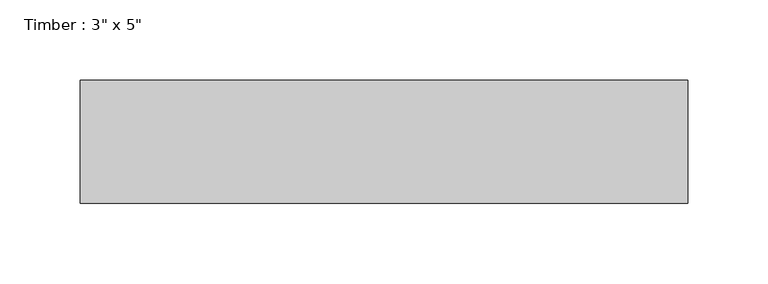
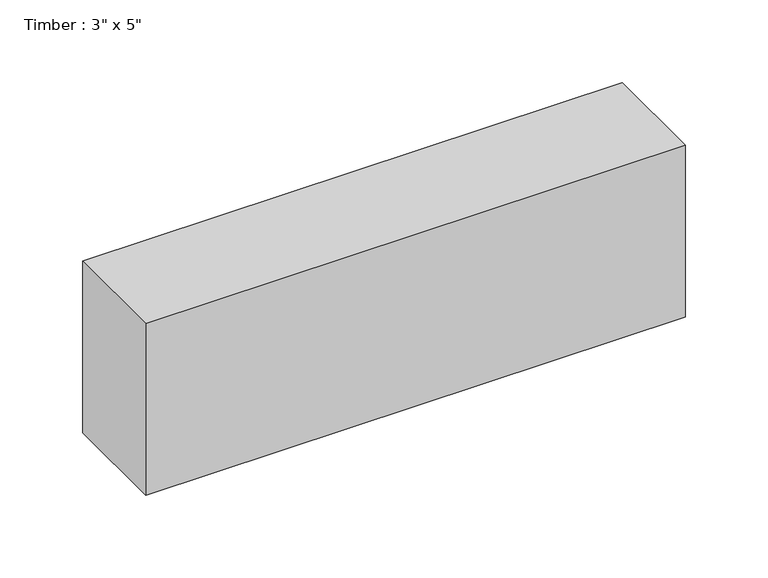
"""IFC4 building model written with IfcOpenShell, lengths in millimetres: beam geometry."""

import ifcopenshell
import ifcopenshell.guid

model = None  # the IFC model being written
_history = None  # IfcOwnerHistory: only IFC2X3 demands one
_inside = {}  # id of a spatial element -> (the spatial element, [elements in it])
_under = {}  # id of a project, library or spatial element -> (it, [spatial elements below it])
_declared = {}  # id of a project -> (the project, [libraries it declares])
_typed = {}  # id of a type object -> (the type object, [elements of that type])
_made_of = {}  # id of a material, layer set ... -> (it, [elements and type objects made of it])


def new_model(schema):
    """Start an empty IFC model of exactly this schema.

    Asked for "IFC4X3", IfcOpenShell would pick the latest addendum, in which some entities
    have other attributes; the version numbers below select the first issue.
    IFC2X3 requires an IfcOwnerHistory on every rooted entity: one is made here for all.
    """
    global model, _history
    if schema == "IFC4X3":
        model = ifcopenshell.file(schema_version=(4, 3, 0, 0))
    else:
        model = ifcopenshell.file(schema=schema)
    _inside.clear()
    _under.clear()
    _declared.clear()
    _typed.clear()
    _made_of.clear()
    _history = None
    if model.schema == "IFC2X3":
        org = make("IfcOrganization", Name="unknown")
        user = make(
            "IfcPersonAndOrganization",
            ThePerson=make("IfcPerson", FamilyName="unknown"),
            TheOrganization=org,
        )
        app = make(
            "IfcApplication",
            ApplicationDeveloper=org,
            Version="unknown",
            ApplicationFullName="unknown",
            ApplicationIdentifier="unknown",
        )
        _history = make(
            "IfcOwnerHistory",
            OwningUser=user,
            OwningApplication=app,
            ChangeAction="ADDED",
            CreationDate=0,
        )
    return model


def make(cls, **values):
    """One entity of the class cls with the attributes given. An attribute that is None is left unset."""
    return model.create_entity(
        cls, **{name: value for name, value in values.items() if value is not None}
    )


def rooted(cls, **values):
    """An entity with a GlobalId (a new one), such as an element, a storey or a relation."""
    return make(cls, GlobalId=ifcopenshell.guid.new(), OwnerHistory=_history, **values)


def si_unit(unit_type, name, prefix=None):
    """IfcSIUnit, for example si_unit("LENGTHUNIT", "METRE", prefix="MILLI")."""
    return make("IfcSIUnit", UnitType=unit_type, Prefix=prefix, Name=name)


def assignment(units):
    """IfcUnitAssignment: the units of a project."""
    return None if units is None else make("IfcUnitAssignment", Units=units)


def point(xyz):
    """IfcCartesianPoint."""
    return None if xyz is None else make("IfcCartesianPoint", Coordinates=xyz)


def direction(xyz):
    """IfcDirection."""
    return None if xyz is None else make("IfcDirection", DirectionRatios=xyz)


def frame(location, z_axis=None, x_axis=None):
    """IfcAxis2Placement3D, a coordinate frame: its origin and axes. An axis left out is left unset."""
    return make(
        "IfcAxis2Placement3D",
        Location=point(location),
        Axis=direction(z_axis),
        RefDirection=direction(x_axis),
    )


def origin():
    """The frame at (0, 0, 0) with its axes left unset."""
    return frame((0.0, 0.0, 0.0))


def place(relative_to, where):
    """IfcLocalPlacement: puts the frame where relative to a parent placement (None: the world)."""
    return make(
        "IfcLocalPlacement", PlacementRelTo=relative_to, RelativePlacement=where
    )


def context(
    kind, dimensions, precision=None, world=None, true_north=None, identifier=None
):
    """IfcGeometricRepresentationContext, for example the 3D "Model" context."""
    return make(
        "IfcGeometricRepresentationContext",
        ContextIdentifier=identifier,
        ContextType=kind,
        CoordinateSpaceDimension=dimensions,
        Precision=precision,
        WorldCoordinateSystem=world,
        TrueNorth=true_north,
    )


def project(units=None, contexts=None):
    """IfcProject with its units and contexts."""
    return rooted(
        "IfcProject",
        Name="project",
        RepresentationContexts=contexts,
        UnitsInContext=assignment(units),
    )


def spatial(cls, under=None, at=None, **own):
    """A site, building, storey or space (cls), placed at a placement, below another one or the project."""
    s = rooted(cls, ObjectPlacement=at, **own)
    if under is not None:
        _under.setdefault(under.id(), (under, []))[1].append(s)
    return s


def polyline(points):
    """IfcPolyline through the points."""
    return make("IfcPolyline", Points=[point(p) for p in points])


def outline(outer, holes=None, kind="AREA"):
    """IfcArbitraryClosedProfileDef: a profile drawn as a closed curve; with holes, ...WithVoids."""
    if holes is None:
        return make("IfcArbitraryClosedProfileDef", ProfileType=kind, OuterCurve=outer)
    return make(
        "IfcArbitraryProfileDefWithVoids",
        ProfileType=kind,
        OuterCurve=outer,
        InnerCurves=holes,
    )


def extrude(swept, where, along, depth):
    """IfcExtrudedAreaSolid: the profile swept, set in the frame where, extruded along a direction by depth."""
    return make(
        "IfcExtrudedAreaSolid",
        SweptArea=swept,
        Position=where,
        ExtrudedDirection=direction(along),
        Depth=depth,
    )


def shape(context_of_items, identifier, shape_type, items):
    """IfcShapeRepresentation: the items that make up one representation, for example the "Body"."""
    return make(
        "IfcShapeRepresentation",
        ContextOfItems=context_of_items,
        RepresentationIdentifier=identifier,
        RepresentationType=shape_type,
        Items=items,
    )


def source(mapping_origin, context_of_items, identifier, shape_type, items):
    """IfcRepresentationMap: a shape defined once, which mapped items show again and again."""
    return make(
        "IfcRepresentationMap",
        MappingOrigin=mapping_origin,
        MappedRepresentation=shape(context_of_items, identifier, shape_type, items),
    )


def transform(
    local_origin,
    x_axis=None,
    y_axis=None,
    z_axis=None,
    scale=None,
    scale2=None,
    scale3=None,
    uniform=True,
):
    """IfcCartesianTransformationOperator3D, or its non-uniform kind. x_axis, y_axis, z_axis: its Axis1, 2, 3."""
    if uniform:
        return make(
            "IfcCartesianTransformationOperator3D",
            Axis1=direction(x_axis),
            Axis2=direction(y_axis),
            LocalOrigin=point(local_origin),
            Scale=scale,
            Axis3=direction(z_axis),
        )
    return make(
        "IfcCartesianTransformationOperator3DnonUniform",
        Axis1=direction(x_axis),
        Axis2=direction(y_axis),
        LocalOrigin=point(local_origin),
        Scale=scale,
        Axis3=direction(z_axis),
        Scale2=scale2,
        Scale3=scale3,
    )


def mapped(mapping_source, mapping_target):
    """IfcMappedItem: shows the shape of a source again, moved by a transform."""
    return make(
        "IfcMappedItem", MappingSource=mapping_source, MappingTarget=mapping_target
    )


def made_of(thing, what):
    """Note that an element or type object is made of a material, layer set ...; save() writes the relation."""
    if what is not None:
        _made_of.setdefault(what.id(), (what, []))[1].append(thing)
    return thing


def element(
    cls,
    number,
    at=None,
    inside=None,
    cuts=None,
    type_object=None,
    material=None,
    context=None,
    identifier="Body",
    shape_type=None,
    held_by="IfcProductDefinitionShape",
    body=None,
    shapes=None,
    **own,
):
    """One element of the class cls, such as IfcWall. Its Tag is "e" and its number.

    at: its placement. inside: the storey or other place that contains it. cuts: it is an
    opening in that element (IfcRelVoidsElement). A single representation is given by context,
    identifier, shape_type and body (its items); several are given by shapes. held_by: the class
    of the entity that holds the representations. save() writes the other relations.
    """
    e = rooted(cls, Tag="e%d" % number, ObjectPlacement=at, **own)
    if body is not None:
        shapes = [shape(context, identifier, shape_type, body)]
    if shapes is not None:
        e.Representation = make(held_by, Representations=shapes)
    if inside is not None:
        _inside.setdefault(inside.id(), (inside, []))[1].append(e)
    if cuts is not None:
        rooted(
            "IfcRelVoidsElement", RelatingBuildingElement=cuts, RelatedOpeningElement=e
        )
    if type_object is not None:
        _typed.setdefault(type_object.id(), (type_object, []))[1].append(e)
    return made_of(e, material)


def aggregate(whole, parts):
    """IfcRelAggregates: a whole, such as a stair, and the parts it consists of."""
    return rooted("IfcRelAggregates", RelatingObject=whole, RelatedObjects=parts)


def save(model, path):
    """Write the relations noted so far, then the file.

    IfcRelAggregates (storeys below a building ...), IfcRelContainedInSpatialStructure (elements
    in a storey), IfcRelDefinesByType, IfcRelAssociatesMaterial and IfcRelDeclares: one each for
    every whole, place, type object, material and project.
    """
    for whole, parts in _under.values():
        aggregate(whole, parts)
    for where, things in _inside.values():
        rooted(
            "IfcRelContainedInSpatialStructure",
            RelatedElements=things,
            RelatingStructure=where,
        )
    for kind, things in _typed.values():
        rooted("IfcRelDefinesByType", RelatedObjects=things, RelatingType=kind)
    for what, things in _made_of.values():
        rooted("IfcRelAssociatesMaterial", RelatedObjects=things, RelatingMaterial=what)
    for by, libraries in _declared.values():
        rooted("IfcRelDeclares", RelatingContext=by, RelatedDefinitions=libraries)
    model.write(path)


def beam_f9db76cb(model_context):
    return source(origin(), model_context, "Body", "SweptSolid", [
        extrude(outline(polyline([(188.5950798, 38.1), (188.5950798, -38.1), (-188.5950798, -38.1), (-188.5950798, 38.1), (188.5950798, 38.1)])), frame((0.0, 0.0, -63.5), z_axis=(0.0, 0.0, 1.0), x_axis=(1.0, 0.0, 0.0)), (0.0, 0.0, 1.0), 127.0),
    ])


if __name__ == "__main__":
    model = new_model("IFC4")
    model_context = context("Model", 3, world=origin())
    ifc_project = project(units=[si_unit("LENGTHUNIT", "METRE", prefix="MILLI")], contexts=[model_context])
    site = spatial("IfcSite", under=ifc_project)
    building = spatial("IfcBuilding", under=site)
    placement = place(None, origin())
    beam_shape = beam_f9db76cb(model_context)
    element("IfcBeam", 1, ObjectType="Timber : 3\" x 5\"", at=placement, inside=building, context=model_context, shape_type="MappedRepresentation", body=[
        mapped(beam_shape, transform((0.0, 0.0, 0.0), x_axis=(1.0, 0.0, 0.0), y_axis=(0.0, 1.0, 0.0), z_axis=(0.0, 0.0, 1.0))),
    ])
    save(model, "model.ifc")
